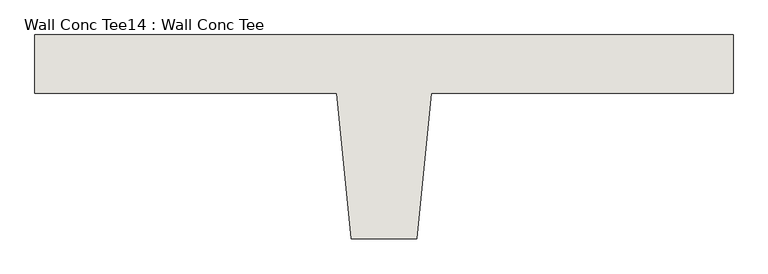
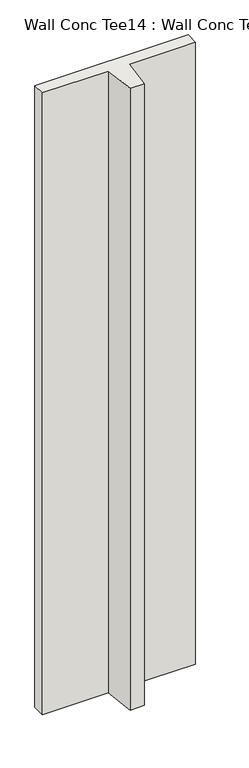
"""IFC4 building model written with IfcOpenShell, lengths in millimetres: wall geometry, Wall Conc Tee14 : Wall Conc Tee."""

import ifcopenshell
import ifcopenshell.guid

model = None  # the IFC model being written
_history = None  # IfcOwnerHistory: only IFC2X3 demands one
_inside = {}  # id of a spatial element -> (the spatial element, [elements in it])
_under = {}  # id of a project, library or spatial element -> (it, [spatial elements below it])
_declared = {}  # id of a project -> (the project, [libraries it declares])
_typed = {}  # id of a type object -> (the type object, [elements of that type])
_made_of = {}  # id of a material, layer set ... -> (it, [elements and type objects made of it])


def new_model(schema):
    """Start an empty IFC model of exactly this schema.

    Asked for "IFC4X3", IfcOpenShell would pick the latest addendum, in which some entities
    have other attributes; the version numbers below select the first issue.
    IFC2X3 requires an IfcOwnerHistory on every rooted entity: one is made here for all.
    """
    global model, _history
    if schema == "IFC4X3":
        model = ifcopenshell.file(schema_version=(4, 3, 0, 0))
    else:
        model = ifcopenshell.file(schema=schema)
    _inside.clear()
    _under.clear()
    _declared.clear()
    _typed.clear()
    _made_of.clear()
    _history = None
    if model.schema == "IFC2X3":
        org = make("IfcOrganization", Name="unknown")
        user = make(
            "IfcPersonAndOrganization",
            ThePerson=make("IfcPerson", FamilyName="unknown"),
            TheOrganization=org,
        )
        app = make(
            "IfcApplication",
            ApplicationDeveloper=org,
            Version="unknown",
            ApplicationFullName="unknown",
            ApplicationIdentifier="unknown",
        )
        _history = make(
            "IfcOwnerHistory",
            OwningUser=user,
            OwningApplication=app,
            ChangeAction="ADDED",
            CreationDate=0,
        )
    return model


def make(cls, **values):
    """One entity of the class cls with the attributes given. An attribute that is None is left unset."""
    return model.create_entity(
        cls, **{name: value for name, value in values.items() if value is not None}
    )


def rooted(cls, **values):
    """An entity with a GlobalId (a new one), such as an element, a storey or a relation."""
    return make(cls, GlobalId=ifcopenshell.guid.new(), OwnerHistory=_history, **values)


def si_unit(unit_type, name, prefix=None):
    """IfcSIUnit, for example si_unit("LENGTHUNIT", "METRE", prefix="MILLI")."""
    return make("IfcSIUnit", UnitType=unit_type, Prefix=prefix, Name=name)


def assignment(units):
    """IfcUnitAssignment: the units of a project."""
    return None if units is None else make("IfcUnitAssignment", Units=units)


def point(xyz):
    """IfcCartesianPoint."""
    return None if xyz is None else make("IfcCartesianPoint", Coordinates=xyz)


def direction(xyz):
    """IfcDirection."""
    return None if xyz is None else make("IfcDirection", DirectionRatios=xyz)


def frame(location, z_axis=None, x_axis=None):
    """IfcAxis2Placement3D, a coordinate frame: its origin and axes. An axis left out is left unset."""
    return make(
        "IfcAxis2Placement3D",
        Location=point(location),
        Axis=direction(z_axis),
        RefDirection=direction(x_axis),
    )


def origin():
    """The frame at (0, 0, 0) with its axes left unset."""
    return frame((0.0, 0.0, 0.0))


def place(relative_to, where):
    """IfcLocalPlacement: puts the frame where relative to a parent placement (None: the world)."""
    return make(
        "IfcLocalPlacement", PlacementRelTo=relative_to, RelativePlacement=where
    )


def context(
    kind, dimensions, precision=None, world=None, true_north=None, identifier=None
):
    """IfcGeometricRepresentationContext, for example the 3D "Model" context."""
    return make(
        "IfcGeometricRepresentationContext",
        ContextIdentifier=identifier,
        ContextType=kind,
        CoordinateSpaceDimension=dimensions,
        Precision=precision,
        WorldCoordinateSystem=world,
        TrueNorth=true_north,
    )


def project(units=None, contexts=None):
    """IfcProject with its units and contexts."""
    return rooted(
        "IfcProject",
        Name="project",
        RepresentationContexts=contexts,
        UnitsInContext=assignment(units),
    )


def spatial(cls, under=None, at=None, **own):
    """A site, building, storey or space (cls), placed at a placement, below another one or the project."""
    s = rooted(cls, ObjectPlacement=at, **own)
    if under is not None:
        _under.setdefault(under.id(), (under, []))[1].append(s)
    return s


def polyline(points):
    """IfcPolyline through the points."""
    return make("IfcPolyline", Points=[point(p) for p in points])


def outline(outer, holes=None, kind="AREA"):
    """IfcArbitraryClosedProfileDef: a profile drawn as a closed curve; with holes, ...WithVoids."""
    if holes is None:
        return make("IfcArbitraryClosedProfileDef", ProfileType=kind, OuterCurve=outer)
    return make(
        "IfcArbitraryProfileDefWithVoids",
        ProfileType=kind,
        OuterCurve=outer,
        InnerCurves=holes,
    )


def extrude(swept, where, along, depth):
    """IfcExtrudedAreaSolid: the profile swept, set in the frame where, extruded along a direction by depth."""
    return make(
        "IfcExtrudedAreaSolid",
        SweptArea=swept,
        Position=where,
        ExtrudedDirection=direction(along),
        Depth=depth,
    )


def shape(context_of_items, identifier, shape_type, items):
    """IfcShapeRepresentation: the items that make up one representation, for example the "Body"."""
    return make(
        "IfcShapeRepresentation",
        ContextOfItems=context_of_items,
        RepresentationIdentifier=identifier,
        RepresentationType=shape_type,
        Items=items,
    )


def source(mapping_origin, context_of_items, identifier, shape_type, items):
    """IfcRepresentationMap: a shape defined once, which mapped items show again and again."""
    return make(
        "IfcRepresentationMap",
        MappingOrigin=mapping_origin,
        MappedRepresentation=shape(context_of_items, identifier, shape_type, items),
    )


def transform(
    local_origin,
    x_axis=None,
    y_axis=None,
    z_axis=None,
    scale=None,
    scale2=None,
    scale3=None,
    uniform=True,
):
    """IfcCartesianTransformationOperator3D, or its non-uniform kind. x_axis, y_axis, z_axis: its Axis1, 2, 3."""
    if uniform:
        return make(
            "IfcCartesianTransformationOperator3D",
            Axis1=direction(x_axis),
            Axis2=direction(y_axis),
            LocalOrigin=point(local_origin),
            Scale=scale,
            Axis3=direction(z_axis),
        )
    return make(
        "IfcCartesianTransformationOperator3DnonUniform",
        Axis1=direction(x_axis),
        Axis2=direction(y_axis),
        LocalOrigin=point(local_origin),
        Scale=scale,
        Axis3=direction(z_axis),
        Scale2=scale2,
        Scale3=scale3,
    )


def mapped(mapping_source, mapping_target):
    """IfcMappedItem: shows the shape of a source again, moved by a transform."""
    return make(
        "IfcMappedItem", MappingSource=mapping_source, MappingTarget=mapping_target
    )


def made_of(thing, what):
    """Note that an element or type object is made of a material, layer set ...; save() writes the relation."""
    if what is not None:
        _made_of.setdefault(what.id(), (what, []))[1].append(thing)
    return thing


def element(
    cls,
    number,
    at=None,
    inside=None,
    cuts=None,
    type_object=None,
    material=None,
    context=None,
    identifier="Body",
    shape_type=None,
    held_by="IfcProductDefinitionShape",
    body=None,
    shapes=None,
    **own,
):
    """One element of the class cls, such as IfcWall. Its Tag is "e" and its number.

    at: its placement. inside: the storey or other place that contains it. cuts: it is an
    opening in that element (IfcRelVoidsElement). A single representation is given by context,
    identifier, shape_type and body (its items); several are given by shapes. held_by: the class
    of the entity that holds the representations. save() writes the other relations.
    """
    e = rooted(cls, Tag="e%d" % number, ObjectPlacement=at, **own)
    if body is not None:
        shapes = [shape(context, identifier, shape_type, body)]
    if shapes is not None:
        e.Representation = make(held_by, Representations=shapes)
    if inside is not None:
        _inside.setdefault(inside.id(), (inside, []))[1].append(e)
    if cuts is not None:
        rooted(
            "IfcRelVoidsElement", RelatingBuildingElement=cuts, RelatedOpeningElement=e
        )
    if type_object is not None:
        _typed.setdefault(type_object.id(), (type_object, []))[1].append(e)
    return made_of(e, material)


def aggregate(whole, parts):
    """IfcRelAggregates: a whole, such as a stair, and the parts it consists of."""
    return rooted("IfcRelAggregates", RelatingObject=whole, RelatedObjects=parts)


def save(model, path):
    """Write the relations noted so far, then the file.

    IfcRelAggregates (storeys below a building ...), IfcRelContainedInSpatialStructure (elements
    in a storey), IfcRelDefinesByType, IfcRelAssociatesMaterial and IfcRelDeclares: one each for
    every whole, place, type object, material and project.
    """
    for whole, parts in _under.values():
        aggregate(whole, parts)
    for where, things in _inside.values():
        rooted(
            "IfcRelContainedInSpatialStructure",
            RelatedElements=things,
            RelatingStructure=where,
        )
    for kind, things in _typed.values():
        rooted("IfcRelDefinesByType", RelatedObjects=things, RelatingType=kind)
    for what, things in _made_of.values():
        rooted("IfcRelAssociatesMaterial", RelatedObjects=things, RelatingMaterial=what)
    for by, libraries in _declared.values():
        rooted("IfcRelDeclares", RelatingContext=by, RelatedDefinitions=libraries)
    model.write(path)


def wall_conc_tee14_wall_conc_tee_30911c03(model_context):
    return source(origin(), model_context, "Body", "SweptSolid", [
        extrude(outline(polyline([(240653.0728488, 159042.8596581), (240653.0728488, 158941.2596581), (240126.0228488, 158941.2596581), (240100.6228488, 158687.2596581), (239986.3228488, 158687.2596581), (239960.9228488, 158941.2596581), (239433.8728488, 158941.2596581), (239433.8728488, 159042.8596581), (240653.0728488, 159042.8596581)])), frame((0.0, 0.0, 143.7592564), z_axis=(0.0, 0.0, 1.0), x_axis=(1.0, 0.0, 0.0)), (0.0, 0.0, 1.0), 5232.4087123),
    ])


if __name__ == "__main__":
    model = new_model("IFC4")
    model_context = context("Model", 3, world=origin())
    ifc_project = project(units=[si_unit("LENGTHUNIT", "METRE", prefix="MILLI")], contexts=[model_context])
    site = spatial("IfcSite", under=ifc_project)
    building = spatial("IfcBuilding", under=site)
    placement = place(None, origin())
    wall_conc_tee14_wall_conc_tee_shape = wall_conc_tee14_wall_conc_tee_30911c03(model_context)
    element("IfcWall", 1, ObjectType="Wall Conc Tee14 : Wall Conc Tee", at=placement, inside=building, context=model_context, shape_type="MappedRepresentation", body=[
        mapped(wall_conc_tee14_wall_conc_tee_shape, transform((0.0, 0.0, 0.0), x_axis=(1.0, 0.0, 0.0), y_axis=(0.0, 1.0, 0.0), z_axis=(0.0, 0.0, 1.0))),
    ])
    save(model, "model.ifc")
